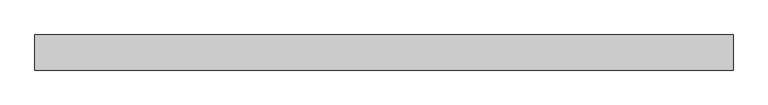
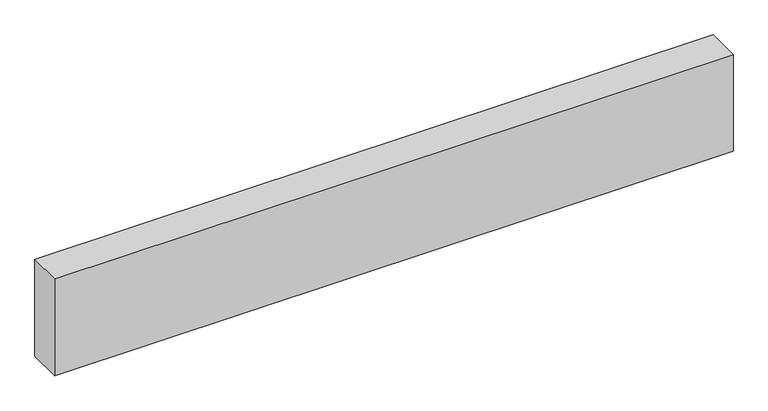
"""IFC4 building model written with IfcOpenShell, lengths in millimetres: proxy geometry."""

from ifc_helpers import new_model, si_unit, origin, origin_with_axes, place, context, project, spatial, polyline, outline, extrude, source, transform, mapped, element, save


def generic_models_f671ce6b(model_context):
    return source(origin(), model_context, "Body", "SweptSolid", [
        extrude(outline(polyline([(1985.9237035, 0.0), (1985.9237035, -100.0), (0.0, -100.0), (0.0, 0.0), (1985.9237035, 0.0)])), origin_with_axes(), (0.0, 0.0, 1.0), 300.0),
    ])


if __name__ == "__main__":
    model = new_model("IFC4")
    model_context = context("Model", 3, world=origin())
    ifc_project = project(units=[si_unit("LENGTHUNIT", "METRE", prefix="MILLI")], contexts=[model_context])
    site = spatial("IfcSite", under=ifc_project)
    building = spatial("IfcBuilding", under=site)
    placement = place(None, origin())
    generic_models_shape = generic_models_f671ce6b(model_context)
    element("IfcBuildingElementProxy", 1, Name="Generic Models", at=placement, inside=building, context=model_context, shape_type="MappedRepresentation", body=[
        mapped(generic_models_shape, transform((0.0, 0.0, 0.0), x_axis=(1.0, 0.0, 0.0), y_axis=(0.0, 1.0, 0.0), z_axis=(0.0, 0.0, 1.0))),
    ])
    save(model, "model.ifc")
